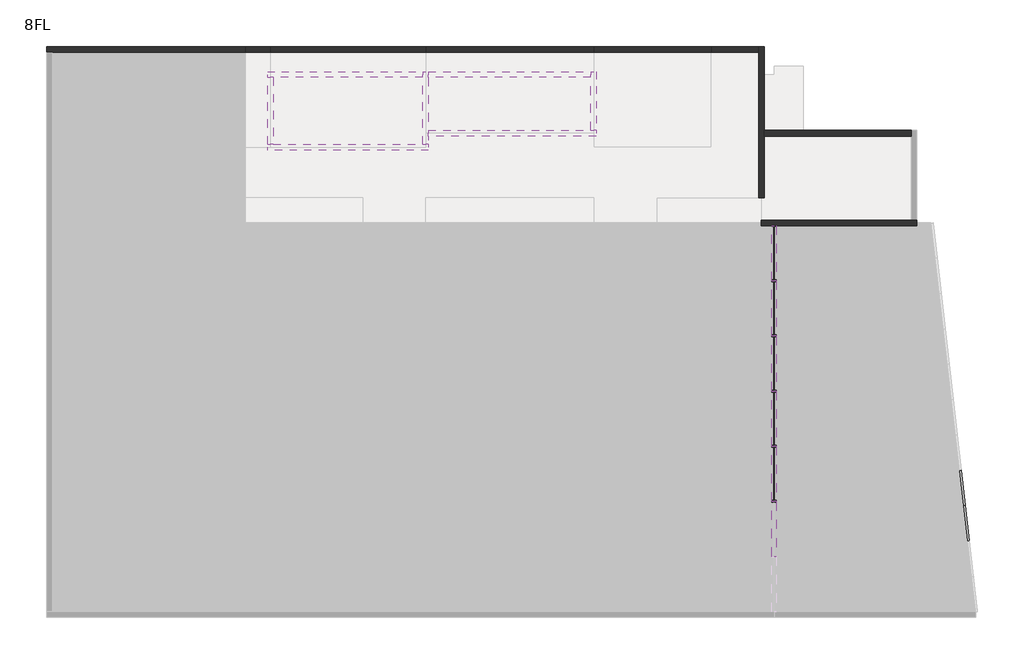
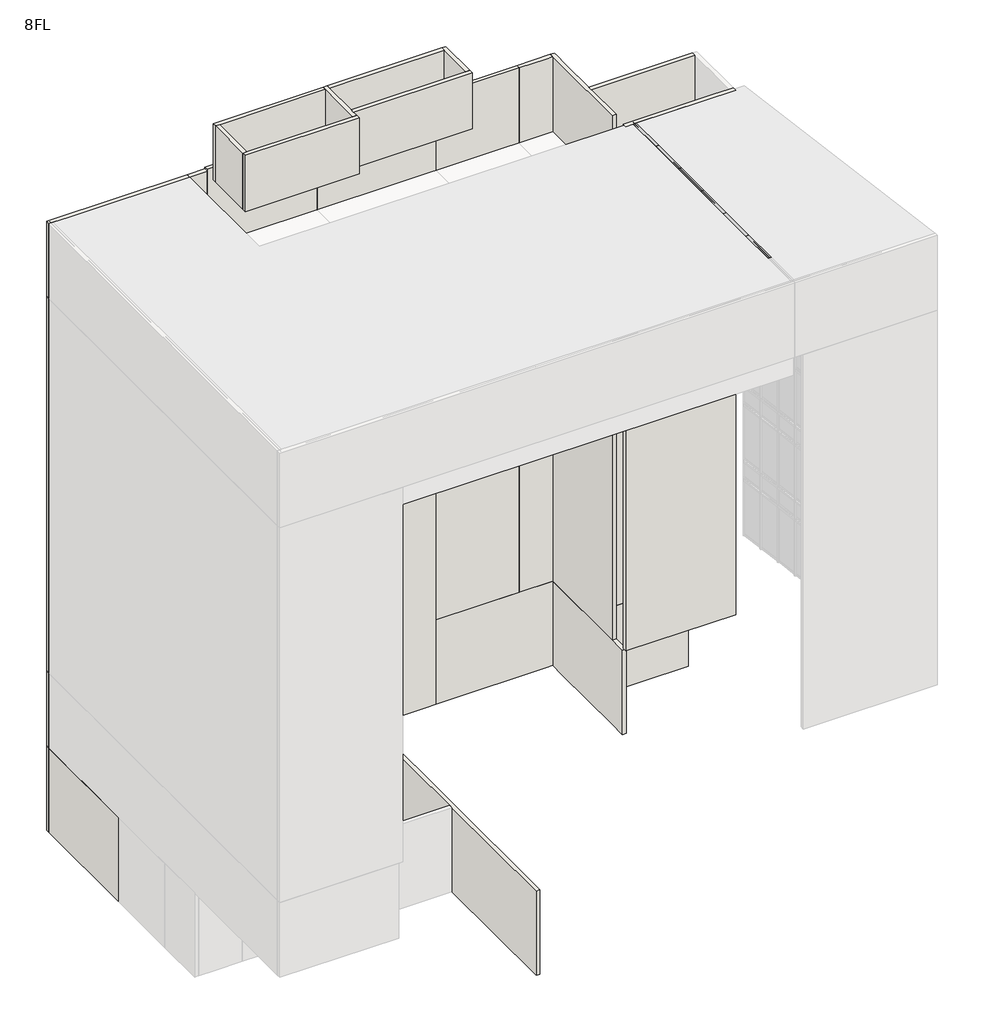
# One storey, part 2 of 4: 46 members, 25 walls, 15 plates.
"""IFC4 building model written with IfcOpenShell, lengths in millimetres."""

import ifcopenshell
import ifcopenshell.guid

model = None  # the IFC model being written
_history = None  # IfcOwnerHistory: only IFC2X3 demands one
_inside = {}  # id of a spatial element -> (the spatial element, [elements in it])
_under = {}  # id of a project, library or spatial element -> (it, [spatial elements below it])
_declared = {}  # id of a project -> (the project, [libraries it declares])
_typed = {}  # id of a type object -> (the type object, [elements of that type])
_made_of = {}  # id of a material, layer set ... -> (it, [elements and type objects made of it])


def new_model(schema):
    """Start an empty IFC model of exactly this schema.

    Asked for "IFC4X3", IfcOpenShell would pick the latest addendum, in which some entities
    have other attributes; the version numbers below select the first issue.
    IFC2X3 requires an IfcOwnerHistory on every rooted entity: one is made here for all.
    """
    global model, _history
    if schema == "IFC4X3":
        model = ifcopenshell.file(schema_version=(4, 3, 0, 0))
    else:
        model = ifcopenshell.file(schema=schema)
    _inside.clear()
    _under.clear()
    _declared.clear()
    _typed.clear()
    _made_of.clear()
    _history = None
    if model.schema == "IFC2X3":
        org = make("IfcOrganization", Name="unknown")
        user = make(
            "IfcPersonAndOrganization",
            ThePerson=make("IfcPerson", FamilyName="unknown"),
            TheOrganization=org,
        )
        app = make(
            "IfcApplication",
            ApplicationDeveloper=org,
            Version="unknown",
            ApplicationFullName="unknown",
            ApplicationIdentifier="unknown",
        )
        _history = make(
            "IfcOwnerHistory",
            OwningUser=user,
            OwningApplication=app,
            ChangeAction="ADDED",
            CreationDate=0,
        )
    return model


def make(cls, **values):
    """One entity of the class cls with the attributes given. An attribute that is None is left unset."""
    return model.create_entity(
        cls, **{name: value for name, value in values.items() if value is not None}
    )


def rooted(cls, **values):
    """An entity with a GlobalId (a new one), such as an element, a storey or a relation."""
    return make(cls, GlobalId=ifcopenshell.guid.new(), OwnerHistory=_history, **values)


def si_unit(unit_type, name, prefix=None):
    """IfcSIUnit, for example si_unit("LENGTHUNIT", "METRE", prefix="MILLI")."""
    return make("IfcSIUnit", UnitType=unit_type, Prefix=prefix, Name=name)


def assignment(units):
    """IfcUnitAssignment: the units of a project."""
    return None if units is None else make("IfcUnitAssignment", Units=units)


def point(xyz):
    """IfcCartesianPoint."""
    return None if xyz is None else make("IfcCartesianPoint", Coordinates=xyz)


def direction(xyz):
    """IfcDirection."""
    return None if xyz is None else make("IfcDirection", DirectionRatios=xyz)


def frame(location, z_axis=None, x_axis=None):
    """IfcAxis2Placement3D, a coordinate frame: its origin and axes. An axis left out is left unset."""
    return make(
        "IfcAxis2Placement3D",
        Location=point(location),
        Axis=direction(z_axis),
        RefDirection=direction(x_axis),
    )


def origin():
    """The frame at (0, 0, 0) with its axes left unset."""
    return frame((0.0, 0.0, 0.0))


def origin_with_axes():
    """The frame at (0, 0, 0) with the z axis (0, 0, 1) and the x axis (1, 0, 0) written out."""
    return frame((0.0, 0.0, 0.0), z_axis=(0.0, 0.0, 1.0), x_axis=(1.0, 0.0, 0.0))


def place(relative_to, where):
    """IfcLocalPlacement: puts the frame where relative to a parent placement (None: the world)."""
    return make(
        "IfcLocalPlacement", PlacementRelTo=relative_to, RelativePlacement=where
    )


def context(
    kind, dimensions, precision=None, world=None, true_north=None, identifier=None
):
    """IfcGeometricRepresentationContext, for example the 3D "Model" context."""
    return make(
        "IfcGeometricRepresentationContext",
        ContextIdentifier=identifier,
        ContextType=kind,
        CoordinateSpaceDimension=dimensions,
        Precision=precision,
        WorldCoordinateSystem=world,
        TrueNorth=true_north,
    )


def project(units=None, contexts=None):
    """IfcProject with its units and contexts."""
    return rooted(
        "IfcProject",
        Name="project",
        RepresentationContexts=contexts,
        UnitsInContext=assignment(units),
    )


def spatial(cls, under=None, at=None, **own):
    """A site, building, storey or space (cls), placed at a placement, below another one or the project."""
    s = rooted(cls, ObjectPlacement=at, **own)
    if under is not None:
        _under.setdefault(under.id(), (under, []))[1].append(s)
    return s


def polyline(points):
    """IfcPolyline through the points."""
    return make("IfcPolyline", Points=[point(p) for p in points])


def outline(outer, holes=None, kind="AREA"):
    """IfcArbitraryClosedProfileDef: a profile drawn as a closed curve; with holes, ...WithVoids."""
    if holes is None:
        return make("IfcArbitraryClosedProfileDef", ProfileType=kind, OuterCurve=outer)
    return make(
        "IfcArbitraryProfileDefWithVoids",
        ProfileType=kind,
        OuterCurve=outer,
        InnerCurves=holes,
    )


def extrude(swept, where, along, depth):
    """IfcExtrudedAreaSolid: the profile swept, set in the frame where, extruded along a direction by depth."""
    return make(
        "IfcExtrudedAreaSolid",
        SweptArea=swept,
        Position=where,
        ExtrudedDirection=direction(along),
        Depth=depth,
    )


def faces_of(points, faces, orient=None, outer=None):
    """IfcFace entities. A face is a list of loops; a loop is a list of indices into points, from 0.

    orient and outer hold one flag for each loop. By default every Orientation is true, the
    first loop of a face is its IfcFaceOuterBound and the others are IfcFaceBound.
    """
    made = []
    for i, loops in enumerate(faces):
        bounds = []
        for j, loop in enumerate(loops):
            is_outer = j == 0 if outer is None else outer[i][j]
            bounds.append(
                make(
                    "IfcFaceOuterBound" if is_outer else "IfcFaceBound",
                    Bound=make("IfcPolyLoop", Polygon=[points[k] for k in loop]),
                    Orientation=True if orient is None else orient[i][j],
                )
            )
        made.append(make("IfcFace", Bounds=bounds))
    return made


def faceted_brep(points, faces, orient=None, outer=None, voids=None):
    """IfcFacetedBrep: a solid bounded by flat faces; with voids (closed shells), ...WithVoids."""
    shared = [point(p) for p in points]
    hull = make("IfcClosedShell", CfsFaces=faces_of(shared, faces, orient, outer))
    if voids is None:
        return make("IfcFacetedBrep", Outer=hull)
    return make(
        "IfcFacetedBrepWithVoids",
        Outer=hull,
        Voids=[
            make(cls, CfsFaces=faces_of(shared, fs, o, b)) for cls, fs, o, b in voids
        ],
    )


def shape(context_of_items, identifier, shape_type, items):
    """IfcShapeRepresentation: the items that make up one representation, for example the "Body"."""
    return make(
        "IfcShapeRepresentation",
        ContextOfItems=context_of_items,
        RepresentationIdentifier=identifier,
        RepresentationType=shape_type,
        Items=items,
    )


def source(mapping_origin, context_of_items, identifier, shape_type, items):
    """IfcRepresentationMap: a shape defined once, which mapped items show again and again."""
    return make(
        "IfcRepresentationMap",
        MappingOrigin=mapping_origin,
        MappedRepresentation=shape(context_of_items, identifier, shape_type, items),
    )


def transform(
    local_origin,
    x_axis=None,
    y_axis=None,
    z_axis=None,
    scale=None,
    scale2=None,
    scale3=None,
    uniform=True,
):
    """IfcCartesianTransformationOperator3D, or its non-uniform kind. x_axis, y_axis, z_axis: its Axis1, 2, 3."""
    if uniform:
        return make(
            "IfcCartesianTransformationOperator3D",
            Axis1=direction(x_axis),
            Axis2=direction(y_axis),
            LocalOrigin=point(local_origin),
            Scale=scale,
            Axis3=direction(z_axis),
        )
    return make(
        "IfcCartesianTransformationOperator3DnonUniform",
        Axis1=direction(x_axis),
        Axis2=direction(y_axis),
        LocalOrigin=point(local_origin),
        Scale=scale,
        Axis3=direction(z_axis),
        Scale2=scale2,
        Scale3=scale3,
    )


def mapped(mapping_source, mapping_target):
    """IfcMappedItem: shows the shape of a source again, moved by a transform."""
    return make(
        "IfcMappedItem", MappingSource=mapping_source, MappingTarget=mapping_target
    )


def made_of(thing, what):
    """Note that an element or type object is made of a material, layer set ...; save() writes the relation."""
    if what is not None:
        _made_of.setdefault(what.id(), (what, []))[1].append(thing)
    return thing


def element(
    cls,
    number,
    at=None,
    inside=None,
    cuts=None,
    type_object=None,
    material=None,
    context=None,
    identifier="Body",
    shape_type=None,
    held_by="IfcProductDefinitionShape",
    body=None,
    shapes=None,
    **own,
):
    """One element of the class cls, such as IfcWall. Its Tag is "e" and its number.

    at: its placement. inside: the storey or other place that contains it. cuts: it is an
    opening in that element (IfcRelVoidsElement). A single representation is given by context,
    identifier, shape_type and body (its items); several are given by shapes. held_by: the class
    of the entity that holds the representations. save() writes the other relations.
    """
    e = rooted(cls, Tag="e%d" % number, ObjectPlacement=at, **own)
    if body is not None:
        shapes = [shape(context, identifier, shape_type, body)]
    if shapes is not None:
        e.Representation = make(held_by, Representations=shapes)
    if inside is not None:
        _inside.setdefault(inside.id(), (inside, []))[1].append(e)
    if cuts is not None:
        rooted(
            "IfcRelVoidsElement", RelatingBuildingElement=cuts, RelatedOpeningElement=e
        )
    if type_object is not None:
        _typed.setdefault(type_object.id(), (type_object, []))[1].append(e)
    return made_of(e, material)


def aggregate(whole, parts):
    """IfcRelAggregates: a whole, such as a stair, and the parts it consists of."""
    return rooted("IfcRelAggregates", RelatingObject=whole, RelatedObjects=parts)


def save(model, path):
    """Write the relations noted so far, then the file.

    IfcRelAggregates (storeys below a building ...), IfcRelContainedInSpatialStructure (elements
    in a storey), IfcRelDefinesByType, IfcRelAssociatesMaterial and IfcRelDeclares: one each for
    every whole, place, type object, material and project.
    """
    for whole, parts in _under.values():
        aggregate(whole, parts)
    for where, things in _inside.values():
        rooted(
            "IfcRelContainedInSpatialStructure",
            RelatedElements=things,
            RelatingStructure=where,
        )
    for kind, things in _typed.values():
        rooted("IfcRelDefinesByType", RelatedObjects=things, RelatingType=kind)
    for what, things in _made_of.values():
        rooted("IfcRelAssociatesMaterial", RelatedObjects=things, RelatingMaterial=what)
    for by, libraries in _declared.values():
        rooted("IfcRelDeclares", RelatingContext=by, RelatedDefinitions=libraries)
    model.write(path)


def member_100x150_b54df6fd(model_context):
    return source(origin(), model_context, "Body", "SweptSolid", [
        extrude(outline(polyline([(50.0, 75.0), (50.0, -75.0), (-50.0, -75.0), (-50.0, 75.0), (50.0, 75.0)])), frame((0.0, 0.0, -1271.861911), z_axis=(0.0, 0.0, 1.0), x_axis=(1.0, 0.0, 0.0)), (0.0, 0.0, 1.0), 1271.861911),
    ])


def member_25x150_6388a252(model_context):
    return source(origin(), model_context, "Body", "SweptSolid", [
        extrude(outline(polyline([(0.0, 75.0), (0.0, -75.0), (-25.0, -75.0), (-25.0, 75.0), (0.0, 75.0)])), frame((0.0, 0.0, -1271.861911), z_axis=(0.0, 0.0, 1.0), x_axis=(1.0, 0.0, 0.0)), (0.0, 0.0, 1.0), 1271.861911),
    ])


def member_25x150_64c6ad17(model_context):
    return source(origin(), model_context, "Body", "SweptSolid", [
        extrude(outline(polyline([(0.0, 75.0), (0.0, -75.0), (-25.0, -75.0), (-25.0, 75.0), (0.0, 75.0)])), frame((0.0, 0.0, -3975.0), z_axis=(0.0, 0.0, 1.0), x_axis=(1.0, 0.0, 0.0)), (0.0, 0.0, 1.0), 3975.0),
    ])


def member_25x150_181524d6(model_context):
    return source(origin(), model_context, "Body", "SweptSolid", [
        extrude(outline(polyline([(0.0, 75.0), (0.0, -75.0), (-25.0, -75.0), (-25.0, 75.0), (0.0, 75.0)])), frame((0.0, 0.0, -1971.4285714), z_axis=(0.0, 0.0, 1.0), x_axis=(1.0, 0.0, 0.0)), (0.0, 0.0, 1.0), 1971.4285714),
    ])


def member_70x150_6224b0b0(model_context):
    return source(origin(), model_context, "Body", "SweptSolid", [
        extrude(outline(polyline([(35.0, 75.0), (35.0, -75.0), (-35.0, -75.0), (-35.0, 75.0), (35.0, 75.0)])), frame((0.0, 0.0, -3975.0), z_axis=(0.0, 0.0, 1.0), x_axis=(1.0, 0.0, 0.0)), (0.0, 0.0, 1.0), 3975.0),
    ])


def member_70x150_18b2455f(model_context):
    return source(origin(), model_context, "Body", "SweptSolid", [
        extrude(outline(polyline([(35.0, 75.0), (35.0, -75.0), (-35.0, -75.0), (-35.0, 75.0), (35.0, 75.0)])), frame((0.0, 0.0, -2950.0), z_axis=(0.0, 0.0, 1.0), x_axis=(1.0, 0.0, 0.0)), (0.0, 0.0, 1.0), 2950.0),
    ])


def member_70x150_d0359e29(model_context):
    return source(origin(), model_context, "Body", "SweptSolid", [
        extrude(outline(polyline([(35.0, 75.0), (35.0, -75.0), (-35.0, -75.0), (-35.0, 75.0), (35.0, 75.0)])), frame((0.0, 0.0, -900.0), z_axis=(0.0, 0.0, 1.0), x_axis=(1.0, 0.0, 0.0)), (0.0, 0.0, 1.0), 900.0),
    ])


def member_70x150_07c10103(model_context):
    return source(origin(), model_context, "Body", "SweptSolid", [
        extrude(outline(polyline([(35.0, 75.0), (35.0, -75.0), (-35.0, -75.0), (-35.0, 75.0), (35.0, 75.0)])), frame((0.0, 0.0, -2900.0), z_axis=(0.0, 0.0, 1.0), x_axis=(1.0, 0.0, 0.0)), (0.0, 0.0, 1.0), 2900.0),
    ])


def member_70x150_8bab1bdf(model_context):
    return source(origin(), model_context, "Body", "SweptSolid", [
        extrude(outline(polyline([(35.0, 75.0), (35.0, -75.0), (-35.0, -75.0), (-35.0, 75.0), (35.0, 75.0)])), frame((0.0, 0.0, -925.0), z_axis=(0.0, 0.0, 1.0), x_axis=(1.0, 0.0, 0.0)), (0.0, 0.0, 1.0), 925.0),
    ])


def plate_a5bdaeee(model_context):
    return source(origin(), model_context, "Body", "SweptSolid", [
        extrude(outline(polyline([(-950.7142857, -5.0), (-950.7142857, 5.0), (950.7142857, 5.0), (950.7142857, -5.0), (-950.7142857, -5.0)])), frame((0.0, 0.0, 100.0), z_axis=(0.0, 0.0, 1.0), x_axis=(1.0, 0.0, 0.0)), (0.0, 0.0, 1.0), 3875.0),
        extrude(outline(polyline([(-950.7142857, -20.0), (-950.7142857, 20.0), (950.7142857, 20.0), (950.7142857, -20.0), (-950.7142857, -20.0)])), origin_with_axes(), (0.0, 0.0, 1.0), 100.0),
    ])


def plate_4cdf4cda(model_context):
    return source(origin(), model_context, "Body", "SweptSolid", [
        extrude(outline(polyline([(-955.7142857, -5.0), (-955.7142857, 5.0), (955.7142857, 5.0), (955.7142857, -5.0), (-955.7142857, -5.0)])), frame((0.0, 0.0, 100.0), z_axis=(0.0, 0.0, 1.0), x_axis=(1.0, 0.0, 0.0)), (0.0, 0.0, 1.0), 3875.0),
        extrude(outline(polyline([(-955.7142857, -20.0), (-955.7142857, 20.0), (955.7142857, 20.0), (955.7142857, -20.0), (-955.7142857, -20.0)])), origin_with_axes(), (0.0, 0.0, 1.0), 100.0),
    ])


def plate_ece2b2bb(model_context):
    return source(origin(), model_context, "Body", "SweptSolid", [
        extrude(outline(polyline([(-600.9309555, -5.0), (-600.9309555, 5.0), (600.9309555, 5.0), (600.9309555, -5.0), (-600.9309555, -5.0)])), frame((0.0, 0.0, 100.0), z_axis=(0.0, 0.0, 1.0), x_axis=(1.0, 0.0, 0.0)), (0.0, 0.0, 1.0), 2850.0),
        extrude(outline(polyline([(-600.9309555, -20.0), (-600.9309555, 20.0), (600.9309555, 20.0), (600.9309555, -20.0), (-600.9309555, -20.0)])), origin_with_axes(), (0.0, 0.0, 1.0), 100.0),
    ])


def plate_b29589f3(model_context):
    return source(origin(), model_context, "Body", "SweptSolid", [
        extrude(outline(polyline([(-600.9309555, -5.0), (-600.9309555, 5.0), (600.9309555, 5.0), (600.9309555, -5.0), (-600.9309555, -5.0)])), frame((0.0, 0.0, 100.0), z_axis=(0.0, 0.0, 1.0), x_axis=(1.0, 0.0, 0.0)), (0.0, 0.0, 1.0), 800.0),
        extrude(outline(polyline([(-600.9309555, -20.0), (-600.9309555, 20.0), (600.9309555, 20.0), (600.9309555, -20.0), (-600.9309555, -20.0)])), origin_with_axes(), (0.0, 0.0, 1.0), 100.0),
    ])


def plate_a40ee780(model_context):
    return source(origin(), model_context, "Body", "SweptSolid", [
        extrude(outline(polyline([(-600.9309555, -5.0), (-600.9309555, 5.0), (600.9309555, 5.0), (600.9309555, -5.0), (-600.9309555, -5.0)])), frame((0.0, 0.0, 100.0), z_axis=(0.0, 0.0, 1.0), x_axis=(1.0, 0.0, 0.0)), (0.0, 0.0, 1.0), 2800.0),
        extrude(outline(polyline([(-600.9309555, -20.0), (-600.9309555, 20.0), (600.9309555, 20.0), (600.9309555, -20.0), (-600.9309555, -20.0)])), origin_with_axes(), (0.0, 0.0, 1.0), 100.0),
    ])


def plate_b89069fe(model_context):
    return source(origin(), model_context, "Body", "SweptSolid", [
        extrude(outline(polyline([(-600.9309555, -5.0), (-600.9309555, 5.0), (600.9309555, 5.0), (600.9309555, -5.0), (-600.9309555, -5.0)])), frame((0.0, 0.0, 100.0), z_axis=(0.0, 0.0, 1.0), x_axis=(1.0, 0.0, 0.0)), (0.0, 0.0, 1.0), 825.0),
        extrude(outline(polyline([(-600.9309555, -20.0), (-600.9309555, 20.0), (600.9309555, 20.0), (600.9309555, -20.0), (-600.9309555, -20.0)])), origin_with_axes(), (0.0, 0.0, 1.0), 100.0),
    ])


model = new_model("IFC4")

# Units and contexts
model_context = context("Model", 3, world=origin())
ifc_project = project(units=[si_unit("LENGTHUNIT", "METRE", prefix="MILLI")], contexts=[model_context])

# Site, building, storey
site = spatial("IfcSite", under=ifc_project)
building = spatial("IfcBuilding", under=site)
storey = spatial("IfcBuildingStorey", under=building, Name="8FL", Elevation=28600.0)

# Members
placement = place(None, origin())
member_100x150_shape = member_100x150_b54df6fd(model_context)
element("IfcMember", 1, ObjectType="100x150", at=placement, inside=storey, context=model_context, shape_type="MappedRepresentation", body=[
    mapped(member_100x150_shape, transform((3817.2842702, 340.5959896, 12600.0), x_axis=(0.0, 0.0, 1.0), y_axis=(0.9935326726564044, 0.11354659116072996, 0.0), z_axis=(-0.11354659116072995, 0.9935326726564043, 0.0))),
])
element("IfcMember", 2, ObjectType="100x150", at=placement, inside=storey, context=model_context, shape_type="MappedRepresentation", body=[
    mapped(member_100x150_shape, transform((3672.8686858, 1604.2323532, 12600.0), x_axis=(0.0, 0.0, 1.0), y_axis=(0.9935326726564043, 0.11354659116073047, 0.0), z_axis=(-0.11354659116073047, 0.9935326726564043, 0.0))),
])
element("IfcMember", 3, ObjectType="100x150", at=placement, inside=storey, context=model_context, shape_type="MappedRepresentation", body=[
    mapped(member_100x150_shape, transform((3817.2842702, 340.5959896, 11600.0), x_axis=(0.0, 0.0, 1.0), y_axis=(0.9935326726564044, 0.11354659116073, 0.0), z_axis=(-0.11354659116072999, 0.9935326726564043, 0.0))),
])
element("IfcMember", 4, ObjectType="100x150", at=placement, inside=storey, context=model_context, shape_type="MappedRepresentation", body=[
    mapped(member_100x150_shape, transform((3672.8686858, 1604.2323532, 11600.0), x_axis=(0.0, 0.0, 1.0), y_axis=(0.9935326726564044, 0.11354659116073043, 0.0), z_axis=(-0.11354659116073042, 0.9935326726564043, 0.0))),
])
element("IfcMember", 5, ObjectType="100x150", at=placement, inside=storey, context=model_context, shape_type="MappedRepresentation", body=[
    mapped(member_100x150_shape, transform((3817.2842702, 340.5959896, 16600.0), x_axis=(0.0, 0.0, 1.0), y_axis=(0.9935326726564044, 0.11354659116072996, 0.0), z_axis=(-0.11354659116072995, 0.9935326726564043, 0.0))),
])
element("IfcMember", 6, ObjectType="100x150", at=placement, inside=storey, context=model_context, shape_type="MappedRepresentation", body=[
    mapped(member_100x150_shape, transform((3672.8686858, 1604.2323532, 16600.0), x_axis=(0.0, 0.0, 1.0), y_axis=(0.9935326726564043, 0.11354659116073047, 0.0), z_axis=(-0.11354659116073047, 0.9935326726564043, 0.0))),
])
element("IfcMember", 7, ObjectType="100x150", at=placement, inside=storey, context=model_context, shape_type="MappedRepresentation", body=[
    mapped(member_100x150_shape, transform((3817.2842702, 340.5959896, 15600.0), x_axis=(0.0, 0.0, 1.0), y_axis=(0.9935326726564044, 0.11354659116072996, 0.0), z_axis=(-0.11354659116072995, 0.9935326726564043, 0.0))),
])
element("IfcMember", 8, ObjectType="100x150", at=placement, inside=storey, context=model_context, shape_type="MappedRepresentation", body=[
    mapped(member_100x150_shape, transform((3672.8686858, 1604.2323532, 15600.0), x_axis=(0.0, 0.0, 1.0), y_axis=(0.9935326726564043, 0.11354659116073047, 0.0), z_axis=(-0.11354659116073047, 0.9935326726564043, 0.0))),
])
element("IfcMember", 9, ObjectType="100x150", at=placement, inside=storey, context=model_context, shape_type="MappedRepresentation", body=[
    mapped(member_100x150_shape, transform((3817.2842702, 340.5959896, 20600.0), x_axis=(0.0, 0.0, 1.0), y_axis=(0.9935326726564044, 0.11354659116072996, 0.0), z_axis=(-0.11354659116072995, 0.9935326726564043, 0.0))),
])
element("IfcMember", 10, ObjectType="100x150", at=placement, inside=storey, context=model_context, shape_type="MappedRepresentation", body=[
    mapped(member_100x150_shape, transform((3672.8686858, 1604.2323532, 20600.0), x_axis=(0.0, 0.0, 1.0), y_axis=(0.9935326726564043, 0.11354659116073047, 0.0), z_axis=(-0.11354659116073047, 0.9935326726564043, 0.0))),
])
element("IfcMember", 11, ObjectType="100x150", at=placement, inside=storey, context=model_context, shape_type="MappedRepresentation", body=[
    mapped(member_100x150_shape, transform((3817.2842702, 340.5959896, 19600.0), x_axis=(0.0, 0.0, 1.0), y_axis=(0.9935326726564044, 0.11354659116072996, 0.0), z_axis=(-0.11354659116072995, 0.9935326726564043, 0.0))),
])
element("IfcMember", 12, ObjectType="100x150", at=placement, inside=storey, context=model_context, shape_type="MappedRepresentation", body=[
    mapped(member_100x150_shape, transform((3672.8686858, 1604.2323532, 19600.0), x_axis=(0.0, 0.0, 1.0), y_axis=(0.9935326726564043, 0.11354659116073047, 0.0), z_axis=(-0.11354659116073047, 0.9935326726564043, 0.0))),
])
element("IfcMember", 13, ObjectType="100x150", at=placement, inside=storey, context=model_context, shape_type="MappedRepresentation", body=[
    mapped(member_100x150_shape, transform((3817.2842702, 340.5959896, 24600.0), x_axis=(0.0, 0.0, 1.0), y_axis=(0.9935326726564044, 0.11354659116072996, 0.0), z_axis=(-0.11354659116072995, 0.9935326726564043, 0.0))),
])
element("IfcMember", 14, ObjectType="100x150", at=placement, inside=storey, context=model_context, shape_type="MappedRepresentation", body=[
    mapped(member_100x150_shape, transform((3817.2842702, 340.5959896, 23600.0), x_axis=(0.0, 0.0, 1.0), y_axis=(0.9935326726564044, 0.11354659116072996, 0.0), z_axis=(-0.11354659116072995, 0.9935326726564043, 0.0))),
])
element("IfcMember", 15, ObjectType="100x150", at=placement, inside=storey, context=model_context, shape_type="MappedRepresentation", body=[
    mapped(member_100x150_shape, transform((3817.2842702, 340.5959896, 27600.0), x_axis=(0.0, 0.0, 1.0), y_axis=(0.9935326726564044, 0.11354659116072996, 0.0), z_axis=(-0.11354659116072995, 0.9935326726564043, 0.0))),
])
member_25x150_shape = member_25x150_6388a252(model_context)
element("IfcMember", 16, ObjectType="25x150", at=placement, inside=storey, context=model_context, shape_type="MappedRepresentation", body=[
    mapped(member_25x150_shape, transform((3817.2842702, 340.5959896, 28600.0), x_axis=(0.0, 0.0, 1.0), y_axis=(0.9935326726564044, 0.11354659116072996, 0.0), z_axis=(-0.11354659116072995, 0.9935326726564043, 0.0))),
])
element("IfcMember", 17, ObjectType="25x150", at=placement, inside=storey, context=model_context, shape_type="MappedRepresentation", body=[
    mapped(member_25x150_shape, transform((3672.8686858, 1604.2323532, 28600.0), x_axis=(0.0, 0.0, 1.0), y_axis=(0.9935326726564043, 0.11354659116073047, 0.0), z_axis=(-0.11354659116073047, 0.9935326726564043, 0.0))),
])
member_25x150_2_shape = member_25x150_64c6ad17(model_context)
element("IfcMember", 18, ObjectType="25x150", at=placement, inside=storey, context=model_context, shape_type="MappedRepresentation", body=[
    mapped(member_25x150_2_shape, transform((-2945.9784025, 10349.6868987, 28600.0), x_axis=(0.0, 1.0, 0.0), y_axis=(1.0, 0.0, 0.0), z_axis=(0.0, 0.0, -1.0))),
])
member_25x150_3_shape = member_25x150_181524d6(model_context)
element("IfcMember", 19, ObjectType="25x150", at=placement, inside=storey, context=model_context, shape_type="MappedRepresentation", body=[
    mapped(member_25x150_3_shape, transform((-2945.9784025, 10349.6868987, 32600.0), x_axis=(0.0, 0.0, 1.0), y_axis=(1.0, 0.0, 0.0), z_axis=(0.0, 1.0, 0.0))),
])
element("IfcMember", 20, ObjectType="25x150", at=placement, inside=storey, context=model_context, shape_type="MappedRepresentation", body=[
    mapped(member_25x150_3_shape, transform((-2945.9784025, 4435.4011844, 32600.0), x_axis=(0.0, 0.0, 1.0), y_axis=(1.0, 0.0, 0.0), z_axis=(0.0, 1.0, 0.0))),
])
element("IfcMember", 21, ObjectType="25x150", at=placement, inside=storey, context=model_context, shape_type="MappedRepresentation", body=[
    mapped(member_25x150_3_shape, transform((-2945.9784025, 6406.8297558, 32600.0), x_axis=(0.0, 0.0, 1.0), y_axis=(1.0, 0.0, 0.0), z_axis=(0.0, 1.0, 0.0))),
])
element("IfcMember", 22, ObjectType="25x150", at=placement, inside=storey, context=model_context, shape_type="MappedRepresentation", body=[
    mapped(member_25x150_3_shape, transform((-2945.9784025, 8378.2583273, 32600.0), x_axis=(0.0, 0.0, 1.0), y_axis=(1.0, 0.0, 0.0), z_axis=(0.0, 1.0, 0.0))),
])
element("IfcMember", 23, ObjectType="25x150", at=placement, inside=storey, context=model_context, shape_type="MappedRepresentation", body=[
    mapped(member_25x150_3_shape, transform((-2945.9784025, 2463.972613, 32600.0), x_axis=(0.0, 0.0, 1.0), y_axis=(1.0, 0.0, 0.0), z_axis=(0.0, 1.0, 0.0))),
])
element("IfcMember", 24, ObjectType="25x150", at=placement, inside=storey, context=model_context, shape_type="MappedRepresentation", body=[
    mapped(member_25x150_3_shape, transform((-2945.9784025, 492.5440416, 32600.0), x_axis=(0.0, 0.0, 1.0), y_axis=(1.0, 0.0, 0.0), z_axis=(0.0, 1.0, 0.0))),
])
member_70x150_shape = member_70x150_6224b0b0(model_context)
element("IfcMember", 25, ObjectType="70x150", at=placement, inside=storey, context=model_context, shape_type="MappedRepresentation", body=[
    mapped(member_70x150_shape, transform((-2945.9784025, 2463.972613, 28600.0), x_axis=(0.0, 1.0, 0.0), y_axis=(1.0, 0.0, 0.0), z_axis=(0.0, 0.0, -1.0))),
])
element("IfcMember", 26, ObjectType="70x150", at=placement, inside=storey, context=model_context, shape_type="MappedRepresentation", body=[
    mapped(member_70x150_shape, transform((-2945.9784025, 4435.4011844, 28600.0), x_axis=(0.0, 1.0, 0.0), y_axis=(1.0, 0.0, 0.0), z_axis=(0.0, 0.0, -1.0))),
])
element("IfcMember", 27, ObjectType="70x150", at=placement, inside=storey, context=model_context, shape_type="MappedRepresentation", body=[
    mapped(member_70x150_shape, transform((-2945.9784025, 6406.8297558, 28600.0), x_axis=(0.0, 1.0, 0.0), y_axis=(1.0, 0.0, 0.0), z_axis=(0.0, 0.0, -1.0))),
])
element("IfcMember", 28, ObjectType="70x150", at=placement, inside=storey, context=model_context, shape_type="MappedRepresentation", body=[
    mapped(member_70x150_shape, transform((-2945.9784025, 8378.2583273, 28600.0), x_axis=(0.0, 1.0, 0.0), y_axis=(1.0, 0.0, 0.0), z_axis=(0.0, 0.0, -1.0))),
])
element("IfcMember", 29, ObjectType="70x150", at=placement, inside=storey, context=model_context, shape_type="MappedRepresentation", body=[
    mapped(member_70x150_shape, transform((-2945.9784025, 492.5440416, 28600.0), x_axis=(0.0, 1.0, 0.0), y_axis=(1.0, 0.0, 0.0), z_axis=(0.0, 0.0, -1.0))),
])
member_70x150_2_shape = member_70x150_18b2455f(model_context)
element("IfcMember", 30, ObjectType="70x150", at=placement, inside=storey, context=model_context, shape_type="MappedRepresentation", body=[
    mapped(member_70x150_2_shape, transform((3817.2842702, 340.5959896, 8600.0), x_axis=(-0.11354659116073017, 0.9935326726564044, 0.0), y_axis=(0.9935326726564044, 0.11354659116073017, 0.0), z_axis=(0.0, 0.0, -1.0))),
])
element("IfcMember", 31, ObjectType="70x150", at=placement, inside=storey, context=model_context, shape_type="MappedRepresentation", body=[
    mapped(member_70x150_2_shape, transform((3672.8686858, 1604.2323532, 8600.0), x_axis=(-0.11354659116073017, 0.9935326726564044, 0.0), y_axis=(0.9935326726564044, 0.11354659116073017, 0.0), z_axis=(0.0, 0.0, -1.0))),
])
member_70x150_3_shape = member_70x150_d0359e29(model_context)
element("IfcMember", 32, ObjectType="70x150", at=placement, inside=storey, context=model_context, shape_type="MappedRepresentation", body=[
    mapped(member_70x150_3_shape, transform((3817.2842702, 340.5959896, 11650.0), x_axis=(-0.11354659116073017, 0.9935326726564044, 0.0), y_axis=(0.9935326726564044, 0.11354659116073017, 0.0), z_axis=(0.0, 0.0, -1.0))),
])
element("IfcMember", 33, ObjectType="70x150", at=placement, inside=storey, context=model_context, shape_type="MappedRepresentation", body=[
    mapped(member_70x150_3_shape, transform((3672.8686858, 1604.2323532, 11650.0), x_axis=(-0.11354659116073017, 0.9935326726564044, 0.0), y_axis=(0.9935326726564044, 0.11354659116073017, 0.0), z_axis=(0.0, 0.0, -1.0))),
])
element("IfcMember", 34, ObjectType="70x150", at=placement, inside=storey, context=model_context, shape_type="MappedRepresentation", body=[
    mapped(member_70x150_3_shape, transform((3817.2842702, 340.5959896, 15650.0), x_axis=(-0.11354659116073017, 0.9935326726564044, 0.0), y_axis=(0.9935326726564044, 0.11354659116073017, 0.0), z_axis=(0.0, 0.0, -1.0))),
])
element("IfcMember", 35, ObjectType="70x150", at=placement, inside=storey, context=model_context, shape_type="MappedRepresentation", body=[
    mapped(member_70x150_3_shape, transform((3672.8686858, 1604.2323532, 15650.0), x_axis=(-0.11354659116073017, 0.9935326726564044, 0.0), y_axis=(0.9935326726564044, 0.11354659116073017, 0.0), z_axis=(0.0, 0.0, -1.0))),
])
element("IfcMember", 36, ObjectType="70x150", at=placement, inside=storey, context=model_context, shape_type="MappedRepresentation", body=[
    mapped(member_70x150_3_shape, transform((3817.2842702, 340.5959896, 19650.0), x_axis=(-0.11354659116073017, 0.9935326726564044, 0.0), y_axis=(0.9935326726564044, 0.11354659116073017, 0.0), z_axis=(0.0, 0.0, -1.0))),
])
element("IfcMember", 37, ObjectType="70x150", at=placement, inside=storey, context=model_context, shape_type="MappedRepresentation", body=[
    mapped(member_70x150_3_shape, transform((3672.8686858, 1604.2323532, 19650.0), x_axis=(-0.11354659116073017, 0.9935326726564044, 0.0), y_axis=(0.9935326726564044, 0.11354659116073017, 0.0), z_axis=(0.0, 0.0, -1.0))),
])
element("IfcMember", 38, ObjectType="70x150", at=placement, inside=storey, context=model_context, shape_type="MappedRepresentation", body=[
    mapped(member_70x150_3_shape, transform((3817.2842702, 340.5959896, 23650.0), x_axis=(-0.11354659116073017, 0.9935326726564044, 0.0), y_axis=(0.9935326726564044, 0.11354659116073017, 0.0), z_axis=(0.0, 0.0, -1.0))),
])
member_70x150_4_shape = member_70x150_07c10103(model_context)
element("IfcMember", 39, ObjectType="70x150", at=placement, inside=storey, context=model_context, shape_type="MappedRepresentation", body=[
    mapped(member_70x150_4_shape, transform((3817.2842702, 340.5959896, 12650.0), x_axis=(-0.11354659116073017, 0.9935326726564044, 0.0), y_axis=(0.9935326726564044, 0.11354659116073017, 0.0), z_axis=(0.0, 0.0, -1.0))),
])
element("IfcMember", 40, ObjectType="70x150", at=placement, inside=storey, context=model_context, shape_type="MappedRepresentation", body=[
    mapped(member_70x150_4_shape, transform((3672.8686858, 1604.2323532, 12650.0), x_axis=(-0.11354659116073017, 0.9935326726564044, 0.0), y_axis=(0.9935326726564044, 0.11354659116073017, 0.0), z_axis=(0.0, 0.0, -1.0))),
])
element("IfcMember", 41, ObjectType="70x150", at=placement, inside=storey, context=model_context, shape_type="MappedRepresentation", body=[
    mapped(member_70x150_4_shape, transform((3817.2842702, 340.5959896, 16650.0), x_axis=(-0.11354659116073017, 0.9935326726564044, 0.0), y_axis=(0.9935326726564044, 0.11354659116073017, 0.0), z_axis=(0.0, 0.0, -1.0))),
])
element("IfcMember", 42, ObjectType="70x150", at=placement, inside=storey, context=model_context, shape_type="MappedRepresentation", body=[
    mapped(member_70x150_4_shape, transform((3672.8686858, 1604.2323532, 16650.0), x_axis=(-0.11354659116073017, 0.9935326726564044, 0.0), y_axis=(0.9935326726564044, 0.11354659116073017, 0.0), z_axis=(0.0, 0.0, -1.0))),
])
element("IfcMember", 43, ObjectType="70x150", at=placement, inside=storey, context=model_context, shape_type="MappedRepresentation", body=[
    mapped(member_70x150_4_shape, transform((3817.2842702, 340.5959896, 20650.0), x_axis=(-0.11354659116073017, 0.9935326726564044, 0.0), y_axis=(0.9935326726564044, 0.11354659116073017, 0.0), z_axis=(0.0, 0.0, -1.0))),
])
element("IfcMember", 44, ObjectType="70x150", at=placement, inside=storey, context=model_context, shape_type="MappedRepresentation", body=[
    mapped(member_70x150_4_shape, transform((3672.8686858, 1604.2323532, 20650.0), x_axis=(-0.11354659116073017, 0.9935326726564044, 0.0), y_axis=(0.9935326726564044, 0.11354659116073017, 0.0), z_axis=(0.0, 0.0, -1.0))),
])
element("IfcMember", 45, ObjectType="70x150", at=placement, inside=storey, context=model_context, shape_type="MappedRepresentation", body=[
    mapped(member_70x150_4_shape, transform((3817.2842702, 340.5959896, 24650.0), x_axis=(-0.11354659116073017, 0.9935326726564044, 0.0), y_axis=(0.9935326726564044, 0.11354659116073017, 0.0), z_axis=(0.0, 0.0, -1.0))),
])
member_70x150_5_shape = member_70x150_8bab1bdf(model_context)
element("IfcMember", 46, ObjectType="70x150", at=placement, inside=storey, context=model_context, shape_type="MappedRepresentation", body=[
    mapped(member_70x150_5_shape, transform((3817.2842702, 340.5959896, 27650.0), x_axis=(-0.11354659116073017, 0.9935326726564044, 0.0), y_axis=(0.9935326726564044, 0.11354659116073017, 0.0), z_axis=(0.0, 0.0, -1.0))),
])

# Plates
plate_shape = plate_a5bdaeee(model_context)
element("IfcPlate", 47, at=placement, inside=storey, context=model_context, shape_type="MappedRepresentation", body=[
    mapped(plate_shape, transform((-2945.9784025, 3449.6868987, 28600.0), x_axis=(0.0, 1.0, 0.0), y_axis=(-1.0, 0.0, 0.0), z_axis=(0.0, 0.0, 1.0))),
])
element("IfcPlate", 48, at=placement, inside=storey, context=model_context, shape_type="MappedRepresentation", body=[
    mapped(plate_shape, transform((-2945.9784025, 5421.1154701, 28600.0), x_axis=(0.0, 1.0, 0.0), y_axis=(-1.0, 0.0, 0.0), z_axis=(0.0, 0.0, 1.0))),
])
element("IfcPlate", 49, at=placement, inside=storey, context=model_context, shape_type="MappedRepresentation", body=[
    mapped(plate_shape, transform((-2945.9784025, 7392.5440416, 28600.0), x_axis=(0.0, 1.0, 0.0), y_axis=(-1.0, 0.0, 0.0), z_axis=(0.0, 0.0, 1.0))),
])
element("IfcPlate", 50, at=placement, inside=storey, context=model_context, shape_type="MappedRepresentation", body=[
    mapped(plate_shape, transform((-2945.9784025, 1478.2583273, 28600.0), x_axis=(0.0, 1.0, 0.0), y_axis=(-1.0, 0.0, 0.0), z_axis=(0.0, 0.0, 1.0))),
])
plate_2_shape = plate_4cdf4cda(model_context)
element("IfcPlate", 51, at=placement, inside=storey, context=model_context, shape_type="MappedRepresentation", body=[
    mapped(plate_2_shape, transform((-2945.9784025, 9368.972613, 28600.0), x_axis=(0.0, 1.0, 0.0), y_axis=(-1.0, 0.0, 0.0), z_axis=(0.0, 0.0, 1.0))),
])
plate_3_shape = plate_ece2b2bb(model_context)
element("IfcPlate", 52, at=placement, inside=storey, context=model_context, shape_type="MappedRepresentation", body=[
    mapped(plate_3_shape, transform((3745.076478, 972.4141714, 8600.0), x_axis=(-0.11354659116073017, 0.9935326726564044, 0.0), y_axis=(-0.9935326726564044, -0.11354659116073017, 0.0), z_axis=(0.0, 0.0, 1.0))),
])
plate_4_shape = plate_b29589f3(model_context)
element("IfcPlate", 53, at=placement, inside=storey, context=model_context, shape_type="MappedRepresentation", body=[
    mapped(plate_4_shape, transform((3745.076478, 972.4141714, 11650.0), x_axis=(-0.11354659116073017, 0.9935326726564044, 0.0), y_axis=(-0.9935326726564044, -0.11354659116073017, 0.0), z_axis=(0.0, 0.0, 1.0))),
])
element("IfcPlate", 54, at=placement, inside=storey, context=model_context, shape_type="MappedRepresentation", body=[
    mapped(plate_4_shape, transform((3745.076478, 972.4141714, 15650.0), x_axis=(-0.11354659116073017, 0.9935326726564044, 0.0), y_axis=(-0.9935326726564044, -0.11354659116073017, 0.0), z_axis=(0.0, 0.0, 1.0))),
])
element("IfcPlate", 55, at=placement, inside=storey, context=model_context, shape_type="MappedRepresentation", body=[
    mapped(plate_4_shape, transform((3745.076478, 972.4141714, 19650.0), x_axis=(-0.11354659116073017, 0.9935326726564044, 0.0), y_axis=(-0.9935326726564044, -0.11354659116073017, 0.0), z_axis=(0.0, 0.0, 1.0))),
])
element("IfcPlate", 56, at=placement, inside=storey, context=model_context, shape_type="MappedRepresentation", body=[
    mapped(plate_4_shape, transform((3745.076478, 972.4141714, 23650.0), x_axis=(-0.11354659116073017, 0.9935326726564044, 0.0), y_axis=(-0.9935326726564044, -0.11354659116073017, 0.0), z_axis=(0.0, 0.0, 1.0))),
])
plate_5_shape = plate_a40ee780(model_context)
element("IfcPlate", 57, at=placement, inside=storey, context=model_context, shape_type="MappedRepresentation", body=[
    mapped(plate_5_shape, transform((3745.076478, 972.4141714, 12650.0), x_axis=(-0.11354659116073017, 0.9935326726564044, 0.0), y_axis=(-0.9935326726564044, -0.11354659116073017, 0.0), z_axis=(0.0, 0.0, 1.0))),
])
element("IfcPlate", 58, at=placement, inside=storey, context=model_context, shape_type="MappedRepresentation", body=[
    mapped(plate_5_shape, transform((3745.076478, 972.4141714, 16650.0), x_axis=(-0.11354659116073017, 0.9935326726564044, 0.0), y_axis=(-0.9935326726564044, -0.11354659116073017, 0.0), z_axis=(0.0, 0.0, 1.0))),
])
element("IfcPlate", 59, at=placement, inside=storey, context=model_context, shape_type="MappedRepresentation", body=[
    mapped(plate_5_shape, transform((3745.076478, 972.4141714, 20650.0), x_axis=(-0.11354659116073017, 0.9935326726564044, 0.0), y_axis=(-0.9935326726564044, -0.11354659116073017, 0.0), z_axis=(0.0, 0.0, 1.0))),
])
element("IfcPlate", 60, at=placement, inside=storey, context=model_context, shape_type="MappedRepresentation", body=[
    mapped(plate_5_shape, transform((3745.076478, 972.4141714, 24650.0), x_axis=(-0.11354659116073017, 0.9935326726564044, 0.0), y_axis=(-0.9935326726564044, -0.11354659116073017, 0.0), z_axis=(0.0, 0.0, 1.0))),
])
plate_6_shape = plate_b89069fe(model_context)
element("IfcPlate", 61, at=placement, inside=storey, context=model_context, shape_type="MappedRepresentation", body=[
    mapped(plate_6_shape, transform((3745.076478, 972.4141714, 27650.0), x_axis=(-0.11354659116073017, 0.9935326726564044, 0.0), y_axis=(-0.9935326726564044, -0.11354659116073017, 0.0), z_axis=(0.0, 0.0, 1.0))),
])

# Walls
element("IfcWall", 62, at=placement, inside=storey, context=model_context, shape_type="Brep", body=[
    faceted_brep([(-3395.9784025, 10349.6868987, 4600.0), (2154.0215975, 10349.6868987, 4600.0), (2154.0215975, 10349.6868987, 32600.0), (-2845.9784025, 10349.6868987, 32600.0), (-3045.9784025, 10349.6868987, 32600.0), (-3395.9784025, 10349.6868987, 32600.0), (-3395.9784025, 10549.6868987, 4600.0), (-3395.9784025, 10549.6868987, 32600.0), (-2945.9784025, 10549.6868987, 32600.0), (1154.0215975, 10549.6868987, 32600.0), (1954.0215975, 10549.6868987, 32600.0), (2154.0215975, 10549.6868987, 32600.0), (2154.0215975, 10549.6868987, 4600.0), (1954.0215975, 10549.6868987, 4600.0), (1154.0215975, 10549.6868987, 4600.0), (-2945.9784025, 10549.6868987, 4600.0), (-3295.9784025, 10549.6868987, 4600.0), (-3395.9784025, 10449.6868987, 4600.0), (-3395.9784025, 10449.6868987, 32600.0)], [[[0, 1, 2, 3, 4, 5]], [[6, 7, 8, 9, 10, 11, 12, 13, 14, 15, 16]], [[1, 0, 17, 6, 16, 15, 14, 13, 12]], [[5, 4, 3, 2, 11, 10, 9, 8, 7, 18]], [[0, 5, 18, 7, 6, 17]], [[2, 1, 12, 11]]]),
])
element("IfcWall", 63, at=placement, inside=storey, context=model_context, shape_type="SweptSolid", body=[
    extrude(outline(polyline([(-3295.9784025, 13749.6868987), (1954.0215975, 13749.6868987), (1954.0215975, 13549.6868987), (-3295.9784025, 13549.6868987), (-3295.9784025, 13749.6868987)])), frame((0.0, 0.0, 4600.0), z_axis=(0.0, 0.0, 1.0), x_axis=(1.0, 0.0, 0.0)), (0.0, 0.0, 1.0), 28000.0),
])
element("IfcWall", 64, at=placement, inside=storey, context=model_context, shape_type="SweptSolid", body=[
    extrude(outline(polyline([(-3295.9784025, 13749.6868987), (1604.0215975, 13749.6868987), (1604.0215975, 13549.6868987), (-3295.9784025, 13549.6868987), (-3295.9784025, 13749.6868987)])), frame((0.0, 0.0, 100.0), z_axis=(0.0, 0.0, 1.0), x_axis=(1.0, 0.0, 0.0)), (0.0, 0.0, 1.0), 4500.0),
])
element("IfcWall", 65, at=placement, inside=storey, context=model_context, shape_type="Brep", body=[
    faceted_brep([(-3295.9784025, 10449.6868987, 100.0), (-3295.9784025, 11349.6868987, 100.0), (-3295.9784025, 13549.6868987, 100.0), (-3295.9784025, 13749.6868987, 100.0), (-3295.9784025, 15749.6868987, 100.0), (-3295.9784025, 16649.6868987, 100.0), (-3295.9784025, 16749.6868987, 100.0), (-3295.9784025, 16749.6868987, 4600.0), (-3295.9784025, 13749.6868987, 4600.0), (-3295.9784025, 13549.6868987, 4600.0), (-3295.9784025, 11349.6868987, 4600.0), (-3295.9784025, 10549.6868987, 4600.0), (-3295.9784025, 10449.6868987, 4600.0), (-3495.9784025, 10449.6868987, 100.0), (-3495.9784025, 10449.6868987, 4600.0), (-3495.9784025, 11349.6868987, 4600.0), (-3495.9784025, 16549.6868987, 4600.0), (-3495.9784025, 16749.6868987, 4600.0), (-3495.9784025, 16749.6868987, 100.0), (-3495.9784025, 16549.6868987, 100.0), (-3495.9784025, 15749.6868987, 100.0), (-3495.9784025, 11349.6868987, 100.0), (-3395.9784025, 10449.6868987, 4600.0)], [[[0, 1, 2, 3, 4, 5, 6, 7, 8, 9, 10, 11, 12]], [[13, 14, 15, 16, 17, 18, 19, 20, 21]], [[6, 5, 4, 3, 2, 1, 0, 13, 21, 20, 19, 18]], [[12, 11, 10, 9, 8, 7, 17, 16, 15, 14, 22]], [[0, 12, 22, 14, 13]], [[7, 6, 18, 17]]]),
])
element("IfcWall", 66, at=placement, inside=storey, context=model_context, shape_type="Brep", body=[
    faceted_brep([(-3295.9784025, 11349.6868987, 4600.0), (-3295.9784025, 13549.6868987, 4600.0), (-3295.9784025, 13749.6868987, 4600.0), (-3295.9784025, 16749.6868987, 4600.0), (-3295.9784025, 16749.6868987, 32600.0), (-3295.9784025, 16649.6868987, 32600.0), (-3295.9784025, 15749.6868987, 32600.0), (-3295.9784025, 13749.6868987, 32600.0), (-3295.9784025, 13549.6868987, 32600.0), (-3295.9784025, 11349.6868987, 32600.0), (-3495.9784025, 11349.6868987, 4600.0), (-3495.9784025, 11349.6868987, 32600.0), (-3495.9784025, 15749.6868987, 32600.0), (-3495.9784025, 16549.6868987, 32600.0), (-3495.9784025, 16749.6868987, 32600.0), (-3495.9784025, 16749.6868987, 4600.0), (-3495.9784025, 16549.6868987, 4600.0)], [[[0, 1, 2, 3, 4, 5, 6, 7, 8, 9]], [[10, 11, 12, 13, 14, 15, 16]], [[3, 2, 1, 0, 10, 16, 15]], [[9, 8, 7, 6, 5, 4, 14, 13, 12, 11]], [[0, 9, 11, 10]], [[4, 3, 15, 14]]]),
])
element("IfcWall", 67, at=placement, inside=storey, context=model_context, shape_type="Brep", body=[
    faceted_brep([(-3495.9784025, 16749.6868987, 100.0), (-9395.9784025, 16749.6868987, 100.0), (-9395.9784025, 16749.6868987, 4600.0), (-5195.9784025, 16749.6868987, 4600.0), (-3495.9784025, 16749.6868987, 4600.0), (-3495.9784025, 16549.6868987, 100.0), (-3495.9784025, 16549.6868987, 4600.0), (-5195.9784025, 16549.6868987, 4600.0), (-9395.9784025, 16549.6868987, 4600.0), (-9395.9784025, 16549.6868987, 100.0), (-8945.9784025, 16549.6868987, 100.0), (-3845.9784025, 16549.6868987, 100.0)], [[[0, 1, 2, 3, 4]], [[5, 6, 7, 8, 9, 10, 11]], [[1, 0, 5, 11, 10, 9]], [[2, 1, 9, 8]], [[4, 3, 2, 8, 7, 6]], [[0, 4, 6, 5]]]),
])
element("IfcWall", 68, at=placement, inside=storey, context=model_context, shape_type="Brep", body=[
    faceted_brep([(-3495.9784025, 16749.6868987, 4600.0), (-5195.9784025, 16749.6868987, 4600.0), (-5195.9784025, 16749.6868987, 32600.0), (-3495.9784025, 16749.6868987, 32600.0), (-3495.9784025, 16549.6868987, 4600.0), (-3495.9784025, 16549.6868987, 32600.0), (-3845.9784025, 16549.6868987, 32600.0), (-5195.9784025, 16549.6868987, 32600.0), (-5195.9784025, 16549.6868987, 4600.0)], [[[0, 1, 2, 3]], [[4, 5, 6, 7, 8]], [[1, 0, 4, 8]], [[2, 1, 8, 7]], [[3, 2, 7, 6, 5]], [[0, 3, 5, 4]]]),
])
element("IfcWall", 69, at=placement, inside=storey, context=model_context, shape_type="Brep", body=[
    faceted_brep([(-5195.9784025, 16749.6868987, 4600.0), (-9395.9784025, 16749.6868987, 4600.0), (-9395.9784025, 16749.6868987, 32600.0), (-5195.9784025, 16749.6868987, 32600.0), (-5195.9784025, 16549.6868987, 4600.0), (-5195.9784025, 16549.6868987, 32600.0), (-8945.9784025, 16549.6868987, 32600.0), (-9395.9784025, 16549.6868987, 32600.0), (-9395.9784025, 16549.6868987, 4600.0)], [[[0, 1, 2, 3]], [[4, 5, 6, 7, 8]], [[1, 0, 4, 8]], [[2, 1, 8, 7]], [[3, 2, 7, 6, 5]], [[0, 3, 5, 4]]]),
])
element("IfcWall", 70, at=placement, inside=storey, context=model_context, shape_type="Brep", body=[
    faceted_brep([(-9395.9784025, 16749.6868987, 32700.0), (-9395.9784025, 16749.6868987, 32600.0), (-9395.9784025, 16749.6868987, 4600.0), (-9395.9784025, 16749.6868987, 100.0), (-15395.9784025, 16749.6868987, 100.0), (-15395.9784025, 16749.6868987, 32700.0), (-9395.9784025, 16549.6868987, 100.0), (-9395.9784025, 16549.6868987, 4600.0), (-9395.9784025, 16549.6868987, 32600.0), (-9395.9784025, 16549.6868987, 32700.0), (-15395.9784025, 16549.6868987, 32700.0), (-15395.9784025, 16549.6868987, 100.0), (-14945.9784025, 16549.6868987, 100.0), (-9845.9784025, 16549.6868987, 100.0)], [[[0, 1, 2, 3, 4, 5]], [[6, 7, 8, 9, 10, 11, 12, 13]], [[4, 3, 6, 13, 12, 11]], [[5, 4, 11, 10]], [[0, 5, 10, 9]], [[0, 9, 8, 7, 6, 3, 2, 1]]]),
])
element("IfcWall", 71, at=placement, inside=storey, context=model_context, shape_type="Brep", body=[
    faceted_brep([(-15395.9784025, 16749.6868987, 100.0), (-20945.9784025, 16749.6868987, 100.0), (-20945.9784025, 16749.6868987, 4600.0), (-20945.9784025, 16749.6868987, 32600.0), (-20945.9784025, 16749.6868987, 32700.0), (-15395.9784025, 16749.6868987, 32700.0), (-15395.9784025, 16549.6868987, 100.0), (-15395.9784025, 16549.6868987, 32700.0), (-20945.9784025, 16549.6868987, 32700.0), (-20945.9784025, 16549.6868987, 32600.0), (-20945.9784025, 16549.6868987, 4600.0), (-20945.9784025, 16549.6868987, 100.0), (-15845.9784025, 16549.6868987, 100.0)], [[[0, 1, 2, 3, 4, 5]], [[6, 7, 8, 9, 10, 11, 12]], [[1, 0, 6, 12, 11]], [[5, 4, 8, 7]], [[0, 5, 7, 6]], [[1, 11, 10, 9, 8, 4, 3, 2]]]),
])
element("IfcWall", 72, at=placement, inside=storey, context=model_context, shape_type="Brep", body=[
    faceted_brep([(-20945.9784025, 16749.6868987, 100.0), (-26545.9784025, 16749.6868987, 100.0), (-26545.9784025, 16749.6868987, 4600.0), (-21845.9784025, 16749.6868987, 4600.0), (-20945.9784025, 16749.6868987, 4600.0), (-20945.9784025, 16549.6868987, 100.0), (-20945.9784025, 16549.6868987, 4600.0), (-21845.9784025, 16549.6868987, 4600.0), (-26545.9784025, 16549.6868987, 4600.0), (-26545.9784025, 16549.6868987, 100.0), (-21845.9784025, 16549.6868987, 100.0), (-20945.9784025, 16649.6868987, 100.0)], [[[0, 1, 2, 3, 4]], [[5, 6, 7, 8, 9, 10]], [[1, 0, 11, 5, 10, 9]], [[2, 1, 9, 8]], [[4, 3, 2, 8, 7, 6]], [[0, 4, 6, 5, 11]]]),
])
element("IfcWall", 73, at=placement, inside=storey, context=model_context, shape_type="Brep", body=[
    faceted_brep([(-26545.9784025, 16749.6868987, 100.0), (-28945.9784025, 16749.6868987, 100.0), (-28945.9784025, 16749.6868987, 4600.0), (-26545.9784025, 16749.6868987, 4600.0), (-26545.9784025, 16549.6868987, 100.0), (-26545.9784025, 16549.6868987, 4600.0), (-28745.9784025, 16549.6868987, 4600.0), (-28945.9784025, 16549.6868987, 4600.0), (-28945.9784025, 16549.6868987, 100.0), (-28745.9784025, 16549.6868987, 100.0), (-27945.9784025, 16549.6868987, 100.0)], [[[0, 1, 2, 3]], [[4, 5, 6, 7, 8, 9, 10]], [[1, 0, 4, 10, 9, 8]], [[3, 2, 7, 6, 5]], [[0, 3, 5, 4]], [[2, 1, 8, 7]]]),
])
element("IfcWall", 74, at=placement, inside=storey, context=model_context, shape_type="Brep", body=[
    faceted_brep([(-21845.9784025, 16749.6868987, 4600.0), (-28945.9784025, 16749.6868987, 4600.0), (-28945.9784025, 16749.6868987, 8600.0), (-21845.9784025, 16749.6868987, 8600.0), (-21845.9784025, 16549.6868987, 4600.0), (-21845.9784025, 16549.6868987, 8600.0), (-28745.9784025, 16549.6868987, 8600.0), (-28945.9784025, 16549.6868987, 8600.0), (-28945.9784025, 16549.6868987, 4600.0), (-28745.9784025, 16549.6868987, 4600.0)], [[[0, 1, 2, 3]], [[4, 5, 6, 7, 8, 9]], [[1, 0, 4, 9, 8]], [[3, 2, 7, 6, 5]], [[0, 3, 5, 4]], [[2, 1, 8, 7]]]),
])
element("IfcWall", 75, at=placement, inside=storey, context=model_context, shape_type="Brep", body=[
    faceted_brep([(-21845.9784025, 16749.6868987, 8600.0), (-28945.9784025, 16749.6868987, 8600.0), (-28945.9784025, 16749.6868987, 28600.0), (-21845.9784025, 16749.6868987, 28600.0), (-21845.9784025, 16549.6868987, 8600.0), (-21845.9784025, 16549.6868987, 28600.0), (-28745.9784025, 16549.6868987, 28600.0), (-28945.9784025, 16549.6868987, 28600.0), (-28945.9784025, 16549.6868987, 8600.0), (-28745.9784025, 16549.6868987, 8600.0)], [[[0, 1, 2, 3]], [[4, 5, 6, 7, 8, 9]], [[1, 0, 4, 9, 8]], [[3, 2, 7, 6, 5]], [[0, 3, 5, 4]], [[2, 1, 8, 7]]]),
])
element("IfcWall", 76, at=placement, inside=storey, context=model_context, shape_type="Brep", body=[
    faceted_brep([(-20945.9784025, 16749.6868987, 4600.0), (-21845.9784025, 16749.6868987, 4600.0), (-21845.9784025, 16749.6868987, 8600.0), (-21845.9784025, 16749.6868987, 28600.0), (-21845.9784025, 16749.6868987, 32600.0), (-20945.9784025, 16749.6868987, 32600.0), (-20945.9784025, 16549.6868987, 4600.0), (-20945.9784025, 16549.6868987, 32600.0), (-21845.9784025, 16549.6868987, 32600.0), (-21845.9784025, 16549.6868987, 28600.0), (-21845.9784025, 16549.6868987, 8600.0), (-21845.9784025, 16549.6868987, 4600.0)], [[[0, 1, 2, 3, 4, 5]], [[6, 7, 8, 9, 10, 11]], [[1, 0, 6, 11]], [[5, 4, 8, 7]], [[0, 5, 7, 6]], [[1, 11, 10, 9, 8, 4, 3, 2]]]),
])
element("IfcWall", 77, at=placement, inside=storey, context=model_context, shape_type="Brep", body=[
    faceted_brep([(-21845.9784025, 16749.6868987, 28600.0), (-28945.9784025, 16749.6868987, 28600.0), (-28945.9784025, 16749.6868987, 32600.0), (-21845.9784025, 16749.6868987, 32600.0), (-21845.9784025, 16549.6868987, 28600.0), (-21845.9784025, 16549.6868987, 32600.0), (-27945.9784025, 16549.6868987, 32600.0), (-28745.9784025, 16549.6868987, 32600.0), (-28945.9784025, 16549.6868987, 32600.0), (-28945.9784025, 16549.6868987, 28600.0), (-28745.9784025, 16549.6868987, 28600.0)], [[[0, 1, 2, 3]], [[4, 5, 6, 7, 8, 9, 10]], [[1, 0, 4, 10, 9]], [[3, 2, 8, 7, 6, 5]], [[0, 3, 5, 4]], [[2, 1, 9, 8]]]),
])
element("IfcWall", 78, at=placement, inside=storey, context=model_context, shape_type="Brep", body=[
    faceted_brep([(-28945.9784025, 16549.6868987, 100.0), (-28945.9784025, 10449.6868987, 100.0), (-28945.9784025, 10449.6868987, 4600.0), (-28945.9784025, 16549.6868987, 4600.0), (-28745.9784025, 16549.6868987, 100.0), (-28745.9784025, 16549.6868987, 4600.0), (-28745.9784025, 10449.6868987, 4600.0), (-28745.9784025, 10449.6868987, 100.0), (-28745.9784025, 11349.6868987, 100.0), (-28745.9784025, 15749.6868987, 100.0), (-28845.9784025, 10449.6868987, 100.0)], [[[0, 1, 2, 3]], [[4, 5, 6, 7, 8, 9]], [[1, 0, 4, 9, 8, 7, 10]], [[2, 1, 10, 7, 6]], [[3, 2, 6, 5]], [[0, 3, 5, 4]]]),
])
element("IfcWall", 79, at=placement, inside=storey, context=model_context, shape_type="Brep", body=[
    faceted_brep([(-15945.9784025, 10449.6868987, 100.0), (-15945.9784025, 3999.6868987, 100.0), (-15945.9784025, 3799.6868987, 100.0), (-15945.9784025, -3550.3131013, 100.0), (-15945.9784025, -3550.3131013, 4600.0), (-15945.9784025, 3799.6868987, 4600.0), (-15945.9784025, 3999.6868987, 4600.0), (-15945.9784025, 10449.6868987, 4600.0), (-15745.9784025, 10449.6868987, 100.0), (-15745.9784025, 10449.6868987, 4600.0), (-15745.9784025, 4349.6868987, 4600.0), (-15745.9784025, 3449.6868987, 4600.0), (-15745.9784025, -2650.3131013, 4600.0), (-15745.9784025, -3550.3131013, 4600.0), (-15745.9784025, -3550.3131013, 100.0), (-15745.9784025, -2650.3131013, 100.0), (-15745.9784025, 3449.6868987, 100.0), (-15745.9784025, 4349.6868987, 100.0), (-15845.9784025, -3550.3131013, 100.0), (-15845.9784025, -3550.3131013, 4600.0)], [[[0, 1, 2, 3, 4, 5, 6, 7]], [[8, 9, 10, 11, 12, 13, 14, 15, 16, 17]], [[3, 2, 1, 0, 8, 17, 16, 15, 14, 18]], [[4, 3, 18, 14, 13, 19]], [[7, 6, 5, 4, 19, 13, 12, 11, 10, 9]], [[0, 7, 9, 8]]]),
])
element("IfcWall", 80, at=placement, inside=storey, context=model_context, shape_type="Brep", body=[
    faceted_brep([(-21045.9784025, 13049.6868987, 32600.0), (-15295.9784025, 13049.6868987, 32600.0), (-15295.9784025, 13049.6868987, 35600.0), (-21045.9784025, 13049.6868987, 35600.0), (-21045.9784025, 13249.6868987, 32600.0), (-21045.9784025, 13249.6868987, 35600.0), (-20845.9784025, 13249.6868987, 35600.0), (-15495.9784025, 13249.6868987, 35600.0), (-15295.9784025, 13249.6868987, 35600.0), (-15295.9784025, 13249.6868987, 32600.0), (-15495.9784025, 13249.6868987, 32600.0), (-20845.9784025, 13249.6868987, 32600.0)], [[[0, 1, 2, 3]], [[4, 5, 6, 7, 8, 9, 10, 11]], [[1, 0, 4, 11, 10, 9]], [[3, 2, 8, 7, 6, 5]], [[2, 1, 9, 8]], [[0, 3, 5, 4]]]),
])
element("IfcWall", 81, at=placement, inside=storey, context=model_context, shape_type="Brep", body=[
    faceted_brep([(-15295.9784025, 13249.6868987, 32600.0), (-15295.9784025, 13549.6868987, 32600.0), (-15295.9784025, 13749.6868987, 32600.0), (-15295.9784025, 15649.6868987, 32600.0), (-15295.9784025, 15849.6868987, 32600.0), (-15295.9784025, 15849.6868987, 35600.0), (-15295.9784025, 15649.6868987, 35600.0), (-15295.9784025, 13749.6868987, 35600.0), (-15295.9784025, 13549.6868987, 35600.0), (-15295.9784025, 13249.6868987, 35600.0), (-15495.9784025, 13249.6868987, 32600.0), (-15495.9784025, 13249.6868987, 35600.0), (-15495.9784025, 15649.6868987, 35600.0), (-15495.9784025, 15849.6868987, 35600.0), (-15495.9784025, 15849.6868987, 32600.0), (-15495.9784025, 15649.6868987, 32600.0)], [[[0, 1, 2, 3, 4, 5, 6, 7, 8, 9]], [[10, 11, 12, 13, 14, 15]], [[4, 3, 2, 1, 0, 10, 15, 14]], [[9, 8, 7, 6, 5, 13, 12, 11]], [[0, 9, 11, 10]], [[5, 4, 14, 13]]]),
])
element("IfcWall", 82, at=placement, inside=storey, context=model_context, shape_type="Brep", body=[
    faceted_brep([(-15295.9784025, 13549.6868987, 32600.0), (-9295.9784025, 13549.6868987, 32600.0), (-9295.9784025, 13549.6868987, 35600.0), (-15295.9784025, 13549.6868987, 35600.0), (-15295.9784025, 13749.6868987, 32600.0), (-15295.9784025, 13749.6868987, 35600.0), (-9495.9784025, 13749.6868987, 35600.0), (-9295.9784025, 13749.6868987, 35600.0), (-9295.9784025, 13749.6868987, 32600.0), (-9495.9784025, 13749.6868987, 32600.0)], [[[0, 1, 2, 3]], [[4, 5, 6, 7, 8, 9]], [[1, 0, 4, 9, 8]], [[3, 2, 7, 6, 5]], [[0, 3, 5, 4]], [[2, 1, 8, 7]]]),
])
element("IfcWall", 83, at=placement, inside=storey, context=model_context, shape_type="Brep", body=[
    faceted_brep([(-9295.9784025, 13749.6868987, 32600.0), (-9295.9784025, 15849.6868987, 32600.0), (-9295.9784025, 15849.6868987, 35600.0), (-9295.9784025, 13749.6868987, 35600.0), (-9495.9784025, 13749.6868987, 32600.0), (-9495.9784025, 13749.6868987, 35600.0), (-9495.9784025, 15649.6868987, 35600.0), (-9495.9784025, 15849.6868987, 35600.0), (-9495.9784025, 15849.6868987, 32600.0), (-9495.9784025, 15649.6868987, 32600.0)], [[[0, 1, 2, 3]], [[4, 5, 6, 7, 8, 9]], [[1, 0, 4, 9, 8]], [[3, 2, 7, 6, 5]], [[0, 3, 5, 4]], [[2, 1, 8, 7]]]),
])
element("IfcWall", 84, at=placement, inside=storey, context=model_context, shape_type="SweptSolid", body=[
    extrude(outline(polyline([(-15295.9784025, 15849.6868987), (-9495.9784025, 15849.6868987), (-9495.9784025, 15649.6868987), (-15295.9784025, 15649.6868987), (-15295.9784025, 15849.6868987)])), frame((0.0, 0.0, 32600.0), z_axis=(0.0, 0.0, 1.0), x_axis=(1.0, 0.0, 0.0)), (0.0, 0.0, 1.0), 3000.0),
])
element("IfcWall", 85, at=placement, inside=storey, context=model_context, shape_type="Brep", body=[
    faceted_brep([(-15495.9784025, 15849.6868987, 32600.0), (-21045.9784025, 15849.6868987, 32600.0), (-21045.9784025, 15849.6868987, 35600.0), (-15495.9784025, 15849.6868987, 35600.0), (-15495.9784025, 15649.6868987, 32600.0), (-15495.9784025, 15649.6868987, 35600.0), (-20845.9784025, 15649.6868987, 35600.0), (-21045.9784025, 15649.6868987, 35600.0), (-21045.9784025, 15649.6868987, 32600.0), (-20845.9784025, 15649.6868987, 32600.0)], [[[0, 1, 2, 3]], [[4, 5, 6, 7, 8, 9]], [[1, 0, 4, 9, 8]], [[3, 2, 7, 6, 5]], [[0, 3, 5, 4]], [[2, 1, 8, 7]]]),
])
element("IfcWall", 86, at=placement, inside=storey, context=model_context, shape_type="SweptSolid", body=[
    extrude(outline(polyline([(-21045.9784025, 13249.6868987), (-21045.9784025, 15649.6868987), (-20845.9784025, 15649.6868987), (-20845.9784025, 13249.6868987), (-21045.9784025, 13249.6868987)])), frame((0.0, 0.0, 32600.0), z_axis=(0.0, 0.0, 1.0), x_axis=(1.0, 0.0, 0.0)), (0.0, 0.0, 1.0), 3000.0),
])

save(model, "model.ifc")
